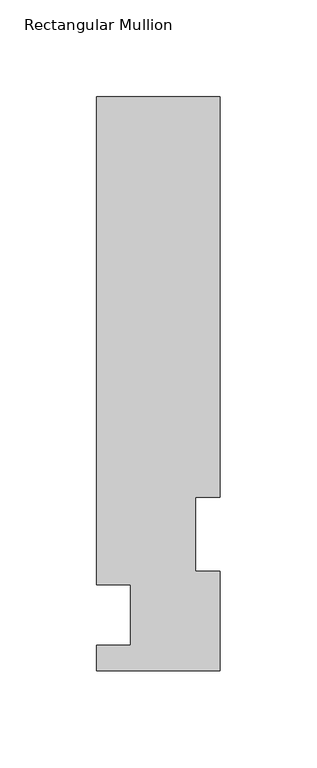
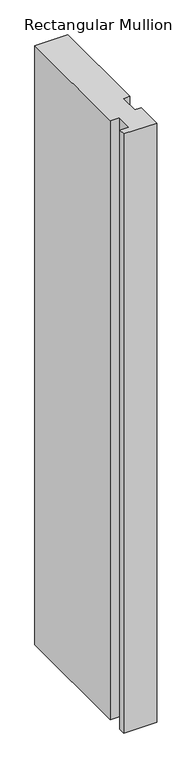
"""IFC4 building model written with IfcOpenShell, lengths in millimetres: member geometry, Rectangular Mullion."""

from ifc_helpers import new_model, si_unit, frame, origin, place, context, project, spatial, polyline, outline, extrude, source, transform, mapped, element, save


def rectangular_mullion_ab4cefdc(model_context):
    return source(origin(), model_context, "Body", "SweptSolid", [
        extrude(outline(polyline([(-31.75, 13.3945313), (-14.2748001, 13.3945313), (-14.2748001, 44.4587312), (-31.7500001, 44.4587312), (-31.7500001, 295.9695312), (31.75, 295.9695312), (31.75, 89.5945313), (19.05, 89.5945313), (19.05, 51.4945312), (31.75, 51.4945312), (31.75, 0.2119313), (-31.75, 0.2119313), (-31.75, 13.3945313)])), frame((0.0, 0.0, -1219.2), z_axis=(0.0, 0.0, 1.0), x_axis=(1.0, 0.0, 0.0)), (0.0, 0.0, 1.0), 1219.2),
    ])


if __name__ == "__main__":
    model = new_model("IFC4")
    model_context = context("Model", 3, world=origin())
    ifc_project = project(units=[si_unit("LENGTHUNIT", "METRE", prefix="MILLI")], contexts=[model_context])
    site = spatial("IfcSite", under=ifc_project)
    building = spatial("IfcBuilding", under=site)
    placement = place(None, origin())
    rectangular_mullion_shape = rectangular_mullion_ab4cefdc(model_context)
    element("IfcMember", 1, ObjectType="Rectangular Mullion", at=placement, inside=building, context=model_context, shape_type="MappedRepresentation", body=[
        mapped(rectangular_mullion_shape, transform((0.0, 0.0, 0.0), x_axis=(1.0, 0.0, 0.0), y_axis=(0.0, 1.0, 0.0), z_axis=(0.0, 0.0, 1.0))),
    ])
    save(model, "model.ifc")
